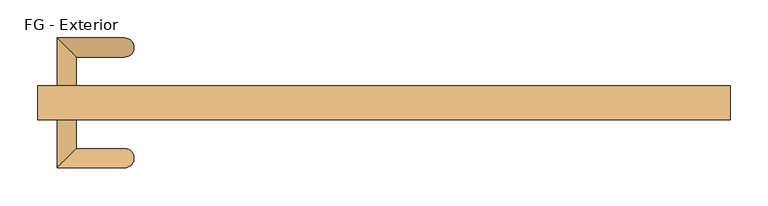
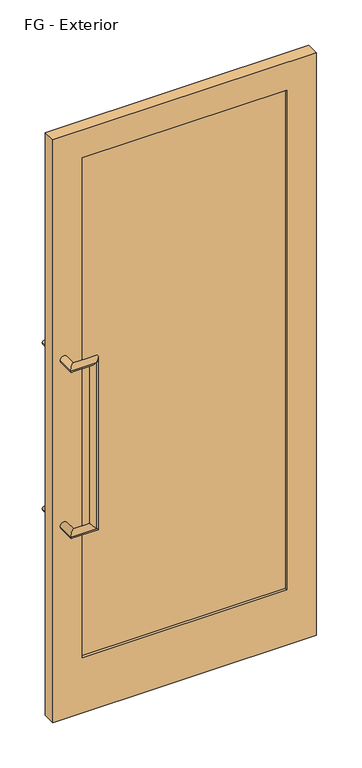
"""IFC4 building model written with IfcOpenShell, lengths in millimetres: door geometry, FG - Exterior."""

from ifc_helpers import new_model, si_unit, frame, origin, place, context, project, spatial, polyline, circle_curve, ellipse_curve, outline, extrude, source, transform, mapped, element, save
from ifc_brep_helpers import plane_surface, cylinder_surface, advanced_brep


def fg_exterior_992b2d13(model_context):
    return source(origin(), model_context, "Body", "SolidModel", [
        advanced_brep(
        [(-431.8, 0.0, 1320.8), (-406.4, 0.0, 1320.8), (-431.8, 63.5, 1320.8), (-406.4, 38.1, 1320.8), (-342.9, 63.5, 1320.8), (-342.9, 38.1, 1320.8), (-342.9, 63.5, 711.2), (-342.9, 38.1, 711.2), (-431.8, 63.5, 711.2), (-406.4, 38.1, 711.2), (-431.8, 0.0, 711.2), (-406.4, 0.0, 711.2)],
        [
            (0, 1, circle_curve(frame((-419.1, 0.0, 1320.8), z_axis=(0.0, -1.0, 0.0), x_axis=(1.0, 0.0, 0.0)), 12.7)),
            (1, 0, circle_curve(frame((-419.1, 0.0, 1320.8), z_axis=(0.0, -1.0, 0.0), x_axis=(1.0, 0.0, 0.0)), 12.7)),
            (0, 2),
            (2, 3, ellipse_curve(frame((-419.1, 50.8, 1320.8), z_axis=(-0.7071067811865475, -0.7071067811865475, 0.0), x_axis=(0.7071067811865474, -0.7071067811865476, 0.0)), 17.9605122, 12.7)),
            (3, 1),
            (3, 2, ellipse_curve(frame((-419.1, 50.8, 1320.8), z_axis=(-0.7071067811865475, -0.7071067811865475, 0.0), x_axis=(0.7071067811865474, -0.7071067811865476, 0.0)), 17.9605122, 12.7)),
            (2, 4),
            (4, 5, ellipse_curve(frame((-342.9, 50.8, 1320.8), z_axis=(-0.7071067811865475, 0.0, 0.7071067811865475), x_axis=(-0.7071067811865476, 0.0, -0.7071067811865474)), 17.9605122, 12.7)),
            (5, 3),
            (5, 4, ellipse_curve(frame((-342.9, 50.8, 1320.8), z_axis=(-0.7071067811865475, 0.0, 0.7071067811865475), x_axis=(-0.7071067811865476, 0.0, -0.7071067811865474)), 17.9605122, 12.7)),
            (4, 6),
            (6, 7, ellipse_curve(frame((-342.9, 50.8, 711.2), z_axis=(0.7071067811865475, 0.0, 0.7071067811865475), x_axis=(-0.7071067811865474, 0.0, 0.7071067811865476)), 17.9605122, 12.7)),
            (7, 5),
            (7, 6, ellipse_curve(frame((-342.9, 50.8, 711.2), z_axis=(0.7071067811865475, 0.0, 0.7071067811865475), x_axis=(-0.7071067811865474, 0.0, 0.7071067811865476)), 17.9605122, 12.7)),
            (6, 8),
            (8, 9, ellipse_curve(frame((-419.1, 50.8, 711.2), z_axis=(0.7071067811865475, 0.7071067811865475, 0.0), x_axis=(0.7071067811865476, -0.7071067811865474, 0.0)), 17.9605122, 12.7)),
            (9, 7),
            (9, 8, ellipse_curve(frame((-419.1, 50.8, 711.2), z_axis=(0.7071067811865475, 0.7071067811865475, 0.0), x_axis=(0.7071067811865476, -0.7071067811865474, 0.0)), 17.9605122, 12.7)),
            (10, 11, circle_curve(frame((-419.1, 0.0, 711.2), z_axis=(0.0, -1.0, 0.0), x_axis=(1.0, 0.0, 0.0)), 12.7)),
            (11, 10, circle_curve(frame((-419.1, 0.0, 711.2), z_axis=(0.0, -1.0, 0.0), x_axis=(1.0, 0.0, 0.0)), 12.7)),
            (8, 10),
            (11, 9),
        ],
        [
            plane_surface(frame((-431.8, 0.0, 1320.8), z_axis=(0.0, -1.0, 0.0), x_axis=(0.0, 0.0, 1.0))),
            cylinder_surface(frame((-419.1, 0.0, 1320.8), z_axis=(0.0, -1.0, 0.0), x_axis=(1.0, 0.0, 0.0)), 12.7),
            cylinder_surface(frame((-419.1, 50.8, 1320.8), z_axis=(-1.0, 0.0, 0.0), x_axis=(0.0, -1.0, 0.0)), 12.7),
            cylinder_surface(frame((-342.9, 50.8, 1320.8), z_axis=(0.0, 0.0, 1.0), x_axis=(0.0, -1.0, 0.0)), 12.7),
            cylinder_surface(frame((-342.9, 50.8, 711.2), z_axis=(1.0, 0.0, 0.0), x_axis=(0.0, -1.0, 0.0)), 12.7),
            plane_surface(frame((-431.8, 0.0, 711.2), z_axis=(0.0, -1.0, 0.0), x_axis=(0.0, 0.0, -1.0))),
            cylinder_surface(frame((-419.1, 50.8, 711.2), z_axis=(0.0, 1.0, 0.0), x_axis=(1.0, 0.0, 0.0)), 12.7),
        ],
        [
            (0, [[1, 2]]),
            (1, [[-1, 3, 4, 5]]),
            (1, [[-2, -5, 6, -3]]),
            (2, [[-4, 7, 8, 9]]),
            (2, [[-6, -9, 10, -7]]),
            (3, [[-8, 11, 12, 13]]),
            (3, [[-10, -13, 14, -11]]),
            (4, [[-12, 15, 16, 17]]),
            (4, [[-14, -17, 18, -15]]),
            (5, [[19, 20]]),
            (6, [[-16, 21, -20, 22]]),
            (6, [[-18, -22, -19, -21]]),
        ],
    ),
        advanced_brep(
        [(-431.8, -44.45, 711.2), (-406.4, -44.45, 711.2), (-431.8, -107.95, 711.2), (-406.4, -82.55, 711.2), (-342.9, -107.95, 711.2), (-342.9, -82.55, 711.2), (-342.9, -107.95, 1320.8), (-342.9, -82.55, 1320.8), (-431.8, -107.95, 1320.8), (-406.4, -82.55, 1320.8), (-431.8, -44.45, 1320.8), (-406.4, -44.45, 1320.8)],
        [
            (0, 1, circle_curve(frame((-419.1, -44.45, 711.2), z_axis=(0.0, 1.0, 0.0), x_axis=(1.0, 0.0, 0.0)), 12.7)),
            (1, 0, circle_curve(frame((-419.1, -44.45, 711.2), z_axis=(0.0, 1.0, 0.0), x_axis=(1.0, 0.0, 0.0)), 12.7)),
            (0, 2),
            (2, 3, ellipse_curve(frame((-419.1, -95.25, 711.2), z_axis=(-0.7071067811865474, 0.7071067811865476, 0.0), x_axis=(0.7071067811865475, 0.7071067811865475, 0.0)), 17.9605122, 12.7)),
            (3, 1),
            (3, 2, ellipse_curve(frame((-419.1, -95.25, 711.2), z_axis=(-0.7071067811865474, 0.7071067811865476, 0.0), x_axis=(0.7071067811865475, 0.7071067811865475, 0.0)), 17.9605122, 12.7)),
            (2, 4),
            (4, 5, ellipse_curve(frame((-342.9, -95.25, 711.2), z_axis=(-0.7071067811865475, 0.0, -0.7071067811865475), x_axis=(-0.7071067811865476, 0.0, 0.7071067811865474)), 17.9605122, 12.7)),
            (5, 3),
            (5, 4, ellipse_curve(frame((-342.9, -95.25, 711.2), z_axis=(-0.7071067811865475, 0.0, -0.7071067811865475), x_axis=(-0.7071067811865476, 0.0, 0.7071067811865474)), 17.9605122, 12.7)),
            (4, 6),
            (6, 7, ellipse_curve(frame((-342.9, -95.25, 1320.8), z_axis=(0.7071067811865475, 0.0, -0.7071067811865475), x_axis=(-0.7071067811865474, 0.0, -0.7071067811865476)), 17.9605122, 12.7)),
            (7, 5),
            (7, 6, ellipse_curve(frame((-342.9, -95.25, 1320.8), z_axis=(0.7071067811865475, 0.0, -0.7071067811865475), x_axis=(-0.7071067811865474, 0.0, -0.7071067811865476)), 17.9605122, 12.7)),
            (6, 8),
            (8, 9, ellipse_curve(frame((-419.1, -95.25, 1320.8), z_axis=(0.7071067811865475, -0.7071067811865475, 0.0), x_axis=(0.7071067811865477, 0.7071067811865474, 0.0)), 17.9605122, 12.7)),
            (9, 7),
            (9, 8, ellipse_curve(frame((-419.1, -95.25, 1320.8), z_axis=(0.7071067811865475, -0.7071067811865475, 0.0), x_axis=(0.7071067811865477, 0.7071067811865474, 0.0)), 17.9605122, 12.7)),
            (10, 11, circle_curve(frame((-419.1, -44.45, 1320.8), z_axis=(0.0, 1.0, 0.0), x_axis=(1.0, 0.0, 0.0)), 12.7)),
            (11, 10, circle_curve(frame((-419.1, -44.45, 1320.8), z_axis=(0.0, 1.0, 0.0), x_axis=(1.0, 0.0, 0.0)), 12.7)),
            (8, 10),
            (11, 9),
        ],
        [
            plane_surface(frame((-431.8, -44.45, 711.2), z_axis=(0.0, 1.0, 0.0), x_axis=(0.0, 0.0, -1.0))),
            cylinder_surface(frame((-419.1, -44.45, 711.2), z_axis=(0.0, 1.0, 0.0), x_axis=(1.0, 0.0, 0.0)), 12.7),
            cylinder_surface(frame((-419.1, -95.25, 711.2), z_axis=(-1.0, 0.0, 0.0), x_axis=(0.0, 1.0, 0.0)), 12.7),
            cylinder_surface(frame((-342.9, -95.25, 711.2), z_axis=(0.0, 0.0, -1.0), x_axis=(0.0, 1.0, 0.0)), 12.7),
            cylinder_surface(frame((-342.9, -95.25, 1320.8), z_axis=(1.0, 0.0, 0.0), x_axis=(0.0, 1.0, 0.0)), 12.7),
            plane_surface(frame((-431.8, -44.45, 1320.8), z_axis=(0.0, 1.0, 0.0), x_axis=(0.0, 0.0, 1.0))),
            cylinder_surface(frame((-419.1, -95.25, 1320.8), z_axis=(0.0, -1.0, 0.0), x_axis=(1.0, 0.0, 0.0)), 12.7),
        ],
        [
            (0, [[1, 2]]),
            (1, [[-1, 3, 4, 5]]),
            (1, [[-2, -5, 6, -3]]),
            (2, [[-4, 7, 8, 9]]),
            (2, [[-6, -9, 10, -7]]),
            (3, [[-8, 11, 12, 13]]),
            (3, [[-10, -13, 14, -11]]),
            (4, [[-12, 15, 16, 17]]),
            (4, [[-14, -17, 18, -15]]),
            (5, [[19, 20]]),
            (6, [[-16, 21, -20, 22]]),
            (6, [[-18, -22, -19, -21]]),
        ],
    ),
        extrude(outline(polyline([(-355.6, -9.525), (355.6, -9.525), (355.6, -34.925), (-355.6, -34.925), (-355.6, -9.525)])), frame((0.0, 0.0, 203.2), z_axis=(0.0, 0.0, 1.0), x_axis=(1.0, 0.0, 0.0)), (0.0, 0.0, 1.0), 1835.15),
        extrude(outline(polyline([(2139.95, 457.2), (2139.95, -457.2), (0.0, -457.2), (0.0, 457.2), (2139.95, 457.2)]), holes=[polyline([(2038.35, -355.6), (2038.35, 355.6), (203.2, 355.6), (203.2, -355.6), (2038.35, -355.6)])]), frame((0.0, -44.45, 0.0), z_axis=(0.0, 1.0, 0.0), x_axis=(0.0, 0.0, 1.0)), (0.0, 0.0, 1.0), 44.45),
    ])


if __name__ == "__main__":
    model = new_model("IFC4")
    model_context = context("Model", 3, world=origin())
    ifc_project = project(units=[si_unit("LENGTHUNIT", "METRE", prefix="MILLI")], contexts=[model_context])
    site = spatial("IfcSite", under=ifc_project)
    building = spatial("IfcBuilding", under=site)
    placement = place(None, origin())
    fg_exterior_shape = fg_exterior_992b2d13(model_context)
    element("IfcDoor", 1, ObjectType="FG - Exterior", at=placement, inside=building, context=model_context, shape_type="MappedRepresentation", body=[
        mapped(fg_exterior_shape, transform((0.0, 0.0, 0.0), x_axis=(1.0, 0.0, 0.0), y_axis=(0.0, 1.0, 0.0), z_axis=(0.0, 0.0, 1.0))),
    ])
    save(model, "model.ifc")
